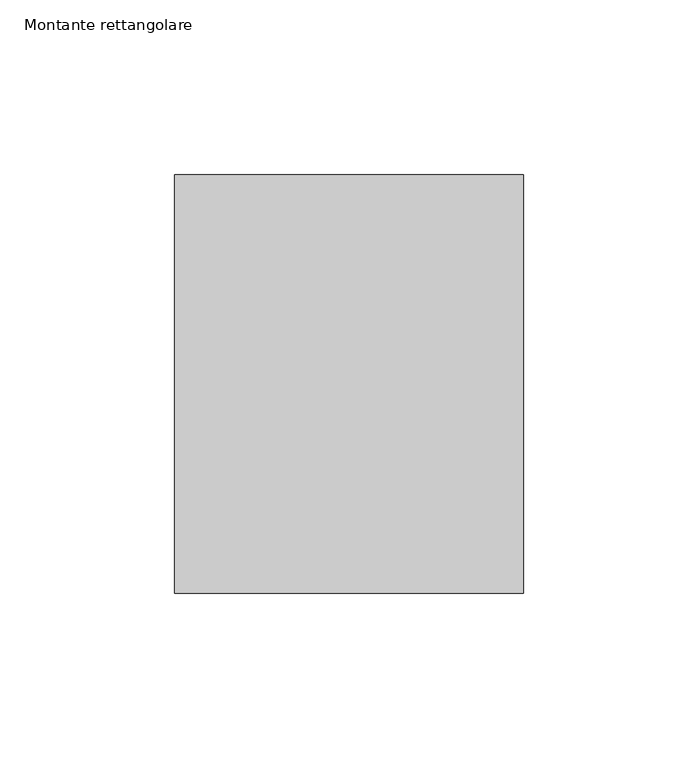
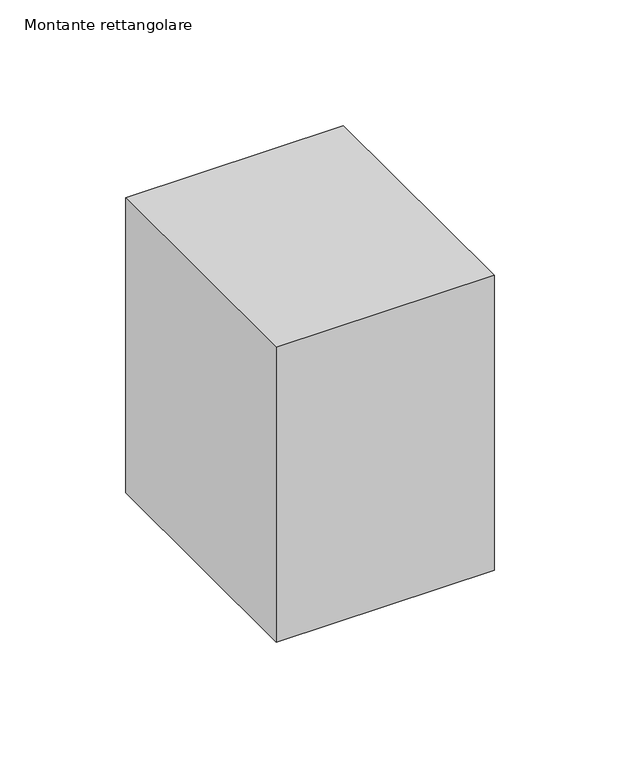
"""IFC4 building model written with IfcOpenShell, lengths in millimetres: member geometry, Montante rettangolare."""

import ifcopenshell
import ifcopenshell.guid

model = None  # the IFC model being written
_history = None  # IfcOwnerHistory: only IFC2X3 demands one
_inside = {}  # id of a spatial element -> (the spatial element, [elements in it])
_under = {}  # id of a project, library or spatial element -> (it, [spatial elements below it])
_declared = {}  # id of a project -> (the project, [libraries it declares])
_typed = {}  # id of a type object -> (the type object, [elements of that type])
_made_of = {}  # id of a material, layer set ... -> (it, [elements and type objects made of it])


def new_model(schema):
    """Start an empty IFC model of exactly this schema.

    Asked for "IFC4X3", IfcOpenShell would pick the latest addendum, in which some entities
    have other attributes; the version numbers below select the first issue.
    IFC2X3 requires an IfcOwnerHistory on every rooted entity: one is made here for all.
    """
    global model, _history
    if schema == "IFC4X3":
        model = ifcopenshell.file(schema_version=(4, 3, 0, 0))
    else:
        model = ifcopenshell.file(schema=schema)
    _inside.clear()
    _under.clear()
    _declared.clear()
    _typed.clear()
    _made_of.clear()
    _history = None
    if model.schema == "IFC2X3":
        org = make("IfcOrganization", Name="unknown")
        user = make(
            "IfcPersonAndOrganization",
            ThePerson=make("IfcPerson", FamilyName="unknown"),
            TheOrganization=org,
        )
        app = make(
            "IfcApplication",
            ApplicationDeveloper=org,
            Version="unknown",
            ApplicationFullName="unknown",
            ApplicationIdentifier="unknown",
        )
        _history = make(
            "IfcOwnerHistory",
            OwningUser=user,
            OwningApplication=app,
            ChangeAction="ADDED",
            CreationDate=0,
        )
    return model


def make(cls, **values):
    """One entity of the class cls with the attributes given. An attribute that is None is left unset."""
    return model.create_entity(
        cls, **{name: value for name, value in values.items() if value is not None}
    )


def rooted(cls, **values):
    """An entity with a GlobalId (a new one), such as an element, a storey or a relation."""
    return make(cls, GlobalId=ifcopenshell.guid.new(), OwnerHistory=_history, **values)


def si_unit(unit_type, name, prefix=None):
    """IfcSIUnit, for example si_unit("LENGTHUNIT", "METRE", prefix="MILLI")."""
    return make("IfcSIUnit", UnitType=unit_type, Prefix=prefix, Name=name)


def assignment(units):
    """IfcUnitAssignment: the units of a project."""
    return None if units is None else make("IfcUnitAssignment", Units=units)


def point(xyz):
    """IfcCartesianPoint."""
    return None if xyz is None else make("IfcCartesianPoint", Coordinates=xyz)


def direction(xyz):
    """IfcDirection."""
    return None if xyz is None else make("IfcDirection", DirectionRatios=xyz)


def frame(location, z_axis=None, x_axis=None):
    """IfcAxis2Placement3D, a coordinate frame: its origin and axes. An axis left out is left unset."""
    return make(
        "IfcAxis2Placement3D",
        Location=point(location),
        Axis=direction(z_axis),
        RefDirection=direction(x_axis),
    )


def origin():
    """The frame at (0, 0, 0) with its axes left unset."""
    return frame((0.0, 0.0, 0.0))


def place(relative_to, where):
    """IfcLocalPlacement: puts the frame where relative to a parent placement (None: the world)."""
    return make(
        "IfcLocalPlacement", PlacementRelTo=relative_to, RelativePlacement=where
    )


def context(
    kind, dimensions, precision=None, world=None, true_north=None, identifier=None
):
    """IfcGeometricRepresentationContext, for example the 3D "Model" context."""
    return make(
        "IfcGeometricRepresentationContext",
        ContextIdentifier=identifier,
        ContextType=kind,
        CoordinateSpaceDimension=dimensions,
        Precision=precision,
        WorldCoordinateSystem=world,
        TrueNorth=true_north,
    )


def project(units=None, contexts=None):
    """IfcProject with its units and contexts."""
    return rooted(
        "IfcProject",
        Name="project",
        RepresentationContexts=contexts,
        UnitsInContext=assignment(units),
    )


def spatial(cls, under=None, at=None, **own):
    """A site, building, storey or space (cls), placed at a placement, below another one or the project."""
    s = rooted(cls, ObjectPlacement=at, **own)
    if under is not None:
        _under.setdefault(under.id(), (under, []))[1].append(s)
    return s


def polyline(points):
    """IfcPolyline through the points."""
    return make("IfcPolyline", Points=[point(p) for p in points])


def outline(outer, holes=None, kind="AREA"):
    """IfcArbitraryClosedProfileDef: a profile drawn as a closed curve; with holes, ...WithVoids."""
    if holes is None:
        return make("IfcArbitraryClosedProfileDef", ProfileType=kind, OuterCurve=outer)
    return make(
        "IfcArbitraryProfileDefWithVoids",
        ProfileType=kind,
        OuterCurve=outer,
        InnerCurves=holes,
    )


def extrude(swept, where, along, depth):
    """IfcExtrudedAreaSolid: the profile swept, set in the frame where, extruded along a direction by depth."""
    return make(
        "IfcExtrudedAreaSolid",
        SweptArea=swept,
        Position=where,
        ExtrudedDirection=direction(along),
        Depth=depth,
    )


def shape(context_of_items, identifier, shape_type, items):
    """IfcShapeRepresentation: the items that make up one representation, for example the "Body"."""
    return make(
        "IfcShapeRepresentation",
        ContextOfItems=context_of_items,
        RepresentationIdentifier=identifier,
        RepresentationType=shape_type,
        Items=items,
    )


def source(mapping_origin, context_of_items, identifier, shape_type, items):
    """IfcRepresentationMap: a shape defined once, which mapped items show again and again."""
    return make(
        "IfcRepresentationMap",
        MappingOrigin=mapping_origin,
        MappedRepresentation=shape(context_of_items, identifier, shape_type, items),
    )


def transform(
    local_origin,
    x_axis=None,
    y_axis=None,
    z_axis=None,
    scale=None,
    scale2=None,
    scale3=None,
    uniform=True,
):
    """IfcCartesianTransformationOperator3D, or its non-uniform kind. x_axis, y_axis, z_axis: its Axis1, 2, 3."""
    if uniform:
        return make(
            "IfcCartesianTransformationOperator3D",
            Axis1=direction(x_axis),
            Axis2=direction(y_axis),
            LocalOrigin=point(local_origin),
            Scale=scale,
            Axis3=direction(z_axis),
        )
    return make(
        "IfcCartesianTransformationOperator3DnonUniform",
        Axis1=direction(x_axis),
        Axis2=direction(y_axis),
        LocalOrigin=point(local_origin),
        Scale=scale,
        Axis3=direction(z_axis),
        Scale2=scale2,
        Scale3=scale3,
    )


def mapped(mapping_source, mapping_target):
    """IfcMappedItem: shows the shape of a source again, moved by a transform."""
    return make(
        "IfcMappedItem", MappingSource=mapping_source, MappingTarget=mapping_target
    )


def made_of(thing, what):
    """Note that an element or type object is made of a material, layer set ...; save() writes the relation."""
    if what is not None:
        _made_of.setdefault(what.id(), (what, []))[1].append(thing)
    return thing


def element(
    cls,
    number,
    at=None,
    inside=None,
    cuts=None,
    type_object=None,
    material=None,
    context=None,
    identifier="Body",
    shape_type=None,
    held_by="IfcProductDefinitionShape",
    body=None,
    shapes=None,
    **own,
):
    """One element of the class cls, such as IfcWall. Its Tag is "e" and its number.

    at: its placement. inside: the storey or other place that contains it. cuts: it is an
    opening in that element (IfcRelVoidsElement). A single representation is given by context,
    identifier, shape_type and body (its items); several are given by shapes. held_by: the class
    of the entity that holds the representations. save() writes the other relations.
    """
    e = rooted(cls, Tag="e%d" % number, ObjectPlacement=at, **own)
    if body is not None:
        shapes = [shape(context, identifier, shape_type, body)]
    if shapes is not None:
        e.Representation = make(held_by, Representations=shapes)
    if inside is not None:
        _inside.setdefault(inside.id(), (inside, []))[1].append(e)
    if cuts is not None:
        rooted(
            "IfcRelVoidsElement", RelatingBuildingElement=cuts, RelatedOpeningElement=e
        )
    if type_object is not None:
        _typed.setdefault(type_object.id(), (type_object, []))[1].append(e)
    return made_of(e, material)


def aggregate(whole, parts):
    """IfcRelAggregates: a whole, such as a stair, and the parts it consists of."""
    return rooted("IfcRelAggregates", RelatingObject=whole, RelatedObjects=parts)


def save(model, path):
    """Write the relations noted so far, then the file.

    IfcRelAggregates (storeys below a building ...), IfcRelContainedInSpatialStructure (elements
    in a storey), IfcRelDefinesByType, IfcRelAssociatesMaterial and IfcRelDeclares: one each for
    every whole, place, type object, material and project.
    """
    for whole, parts in _under.values():
        aggregate(whole, parts)
    for where, things in _inside.values():
        rooted(
            "IfcRelContainedInSpatialStructure",
            RelatedElements=things,
            RelatingStructure=where,
        )
    for kind, things in _typed.values():
        rooted("IfcRelDefinesByType", RelatedObjects=things, RelatingType=kind)
    for what, things in _made_of.values():
        rooted("IfcRelAssociatesMaterial", RelatedObjects=things, RelatingMaterial=what)
    for by, libraries in _declared.values():
        rooted("IfcRelDeclares", RelatingContext=by, RelatedDefinitions=libraries)
    model.write(path)


def montante_rettangolare_f9b82937(model_context):
    return source(origin(), model_context, "Body", "SweptSolid", [
        extrude(outline(polyline([(0.0, 60.0), (0.0, -60.0), (-100.0, -60.0), (-100.0, 60.0), (0.0, 60.0)])), frame((0.0, 0.0, -143.2719015), z_axis=(0.0, 0.0, 1.0), x_axis=(1.0, 0.0, 0.0)), (0.0, 0.0, 1.0), 143.2719015),
    ])


if __name__ == "__main__":
    model = new_model("IFC4")
    model_context = context("Model", 3, world=origin())
    ifc_project = project(units=[si_unit("LENGTHUNIT", "METRE", prefix="MILLI")], contexts=[model_context])
    site = spatial("IfcSite", under=ifc_project)
    building = spatial("IfcBuilding", under=site)
    placement = place(None, origin())
    montante_rettangolare_shape = montante_rettangolare_f9b82937(model_context)
    element("IfcMember", 1, ObjectType="Montante rettangolare", at=placement, inside=building, context=model_context, shape_type="MappedRepresentation", body=[
        mapped(montante_rettangolare_shape, transform((0.0, 0.0, 0.0), x_axis=(1.0, 0.0, 0.0), y_axis=(0.0, 1.0, 0.0), z_axis=(0.0, 0.0, 1.0))),
    ])
    save(model, "model.ifc")
